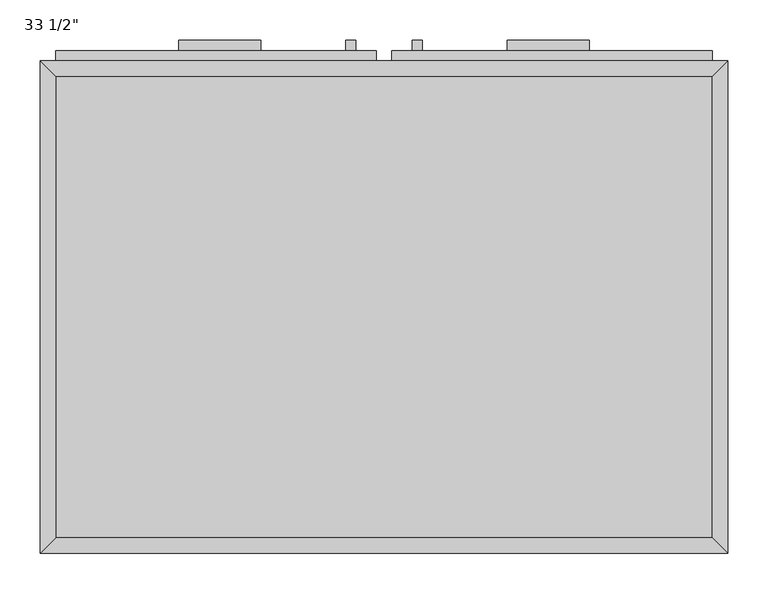
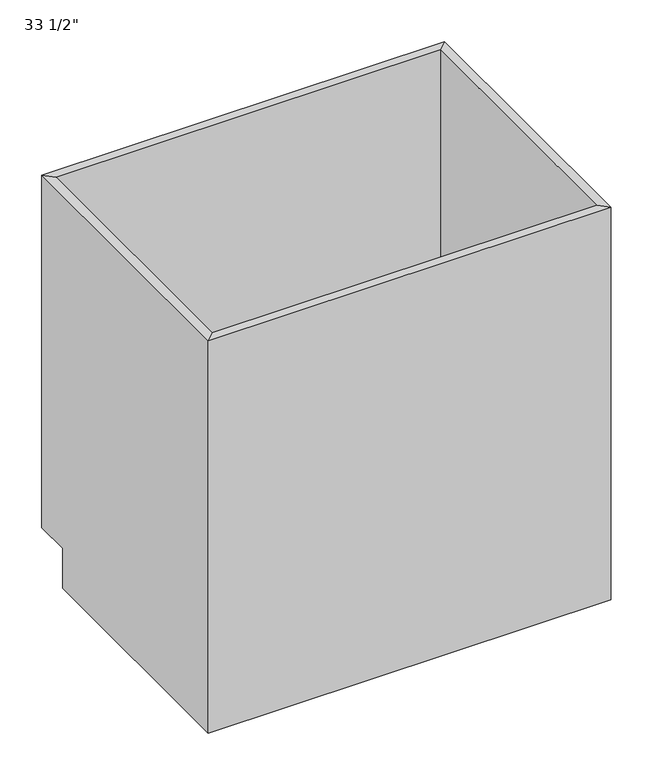
"""IFC4 building model written with IfcOpenShell, lengths in millimetres: furniture geometry."""

from ifc_helpers import new_model, si_unit, frame, origin, place, context, project, spatial, polyline, outline, extrude, faceted_brep, source, transform, mapped, element, save


def furniture_e4f198ec(model_context):
    return source(origin(), model_context, "Body", "SolidModel", [
        faceted_brep([(425.1377049, 590.55, 876.3), (-387.6622951, 590.55, 876.3), (-387.6622951, 590.55, 88.9), (425.1377049, 590.55, 88.9), (444.1877049, 609.6, 876.3), (-406.7122951, 609.6, 876.3), (444.1877049, 609.6, 88.9), (-406.7122951, 609.6, 88.9), (-387.6622951, 19.05, 876.3), (-387.6622951, 19.05, 88.9), (-387.6622951, 533.4, 88.9), (-406.7122951, 0.0, 876.3), (-406.7122951, 533.4, 88.9), (-406.7122951, 533.4, 0.0), (-406.7122951, 0.0, 0.0), (425.1377049, 19.05, 876.3), (425.1377049, 19.05, 88.9), (444.1877049, 0.0, 876.3), (444.1877049, 0.0, 0.0), (425.1377049, 533.4, 88.9), (444.1877049, 533.4, 0.0), (444.1877049, 533.4, 88.9)], [[[0, 1, 2, 3]], [[0, 4, 5, 1]], [[4, 6, 7, 5]], [[2, 7, 6, 3]], [[1, 8, 9, 10, 2]], [[5, 11, 8, 1]], [[7, 12, 13, 14, 11, 5]], [[2, 10, 12, 7]], [[8, 15, 16, 9]], [[11, 17, 15, 8]], [[14, 18, 17, 11]], [[3, 19, 16, 15, 0]], [[0, 15, 17, 4]], [[4, 17, 18, 20, 21, 6]], [[6, 21, 19, 3]], [[10, 9, 16, 19]], [[18, 14, 13, 20]], [[13, 12, 10, 19, 21, 20]]]),
        extrude(outline(polyline([(-133.6622951, 635.0), (-133.6622951, 622.3), (-235.2622951, 622.3), (-235.2622951, 635.0), (-133.6622951, 635.0)])), frame((0.0, 0.0, 819.15), z_axis=(0.0, 0.0, 1.0), x_axis=(1.0, 0.0, 0.0)), (0.0, 0.0, 1.0), 12.7),
        extrude(outline(polyline([(272.7377049, 635.0), (272.7377049, 622.3), (171.1377049, 622.3), (171.1377049, 635.0), (272.7377049, 635.0)])), frame((0.0, 0.0, 819.15), z_axis=(0.0, 0.0, 1.0), x_axis=(1.0, 0.0, 0.0)), (0.0, 0.0, 1.0), 12.7),
        extrude(outline(polyline([(-16.1872951, 635.0), (-16.1872951, 622.3), (-28.8872951, 622.3), (-28.8872951, 635.0), (-16.1872951, 635.0)])), frame((0.0, 0.0, 596.9), z_axis=(0.0, 0.0, 1.0), x_axis=(1.0, 0.0, 0.0)), (0.0, 0.0, 1.0), 101.6),
        extrude(outline(polyline([(66.3627049, 635.0), (66.3627049, 622.3), (53.6627049, 622.3), (53.6627049, 635.0), (66.3627049, 635.0)])), frame((0.0, 0.0, 596.9), z_axis=(0.0, 0.0, 1.0), x_axis=(1.0, 0.0, 0.0)), (0.0, 0.0, 1.0), 101.6),
        extrude(outline(polyline([(425.1377049, 19.05), (-387.6622951, 19.05), (-387.6622951, 590.55), (425.1377049, 590.55), (425.1377049, 19.05)])), frame((0.0, 0.0, 88.9), z_axis=(0.0, 0.0, 1.0), x_axis=(1.0, 0.0, 0.0)), (0.0, 0.0, 1.0), 19.05),
        extrude(outline(polyline([(9.2127049, 622.3), (9.2127049, 609.6), (-387.6622951, 609.6), (-387.6622951, 622.3), (9.2127049, 622.3)])), frame((0.0, 0.0, 755.65), z_axis=(0.0, 0.0, 1.0), x_axis=(1.0, 0.0, 0.0)), (0.0, 0.0, 1.0), 101.6),
        extrude(outline(polyline([(425.1377049, 622.3), (425.1377049, 609.6), (28.2627049, 609.6), (28.2627049, 622.3), (425.1377049, 622.3)])), frame((0.0, 0.0, 755.65), z_axis=(0.0, 0.0, 1.0), x_axis=(1.0, 0.0, 0.0)), (0.0, 0.0, 1.0), 101.6),
        extrude(outline(polyline([(9.2127049, 622.3), (9.2127049, 609.6), (-387.6622951, 609.6), (-387.6622951, 622.3), (9.2127049, 622.3)])), frame((0.0, 0.0, 107.95), z_axis=(0.0, 0.0, 1.0), x_axis=(1.0, 0.0, 0.0)), (0.0, 0.0, 1.0), 628.65),
        extrude(outline(polyline([(425.1377049, 622.3), (425.1377049, 609.6), (28.2627049, 609.6), (28.2627049, 622.3), (425.1377049, 622.3)])), frame((0.0, 0.0, 107.95), z_axis=(0.0, 0.0, 1.0), x_axis=(1.0, 0.0, 0.0)), (0.0, 0.0, 1.0), 628.65),
    ])


if __name__ == "__main__":
    model = new_model("IFC4")
    model_context = context("Model", 3, world=origin())
    ifc_project = project(units=[si_unit("LENGTHUNIT", "METRE", prefix="MILLI")], contexts=[model_context])
    site = spatial("IfcSite", under=ifc_project)
    building = spatial("IfcBuilding", under=site)
    placement = place(None, origin())
    furniture_shape = furniture_e4f198ec(model_context)
    element("IfcFurniture", 1, ObjectType="33 1/2\"", at=placement, inside=building, context=model_context, shape_type="MappedRepresentation", body=[
        mapped(furniture_shape, transform((0.0, 0.0, 0.0), x_axis=(1.0, 0.0, 0.0), y_axis=(0.0, 1.0, 0.0), z_axis=(0.0, 0.0, 1.0))),
    ])
    save(model, "model.ifc")
